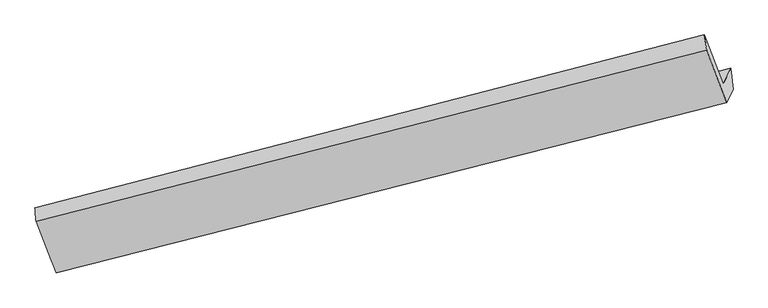
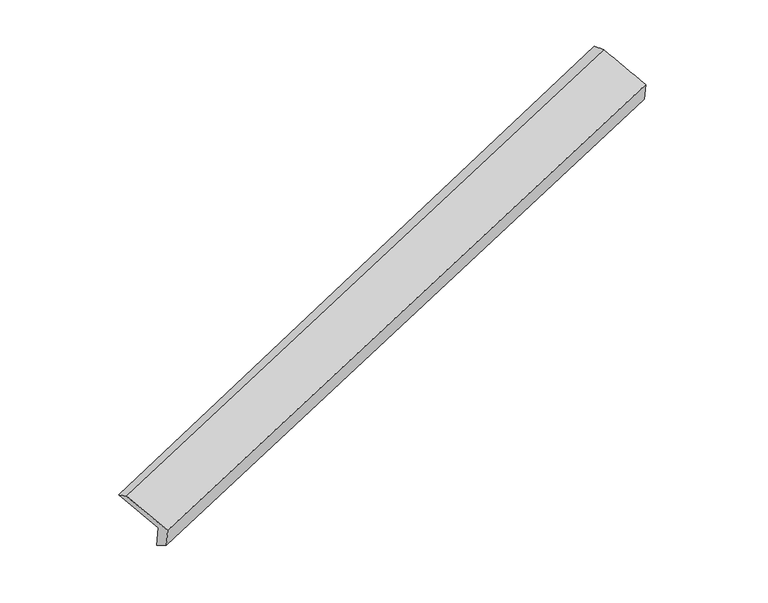
"""IFC4 building model written with IfcOpenShell, lengths in millimetres: proxy geometry."""

from ifc_helpers import new_model, si_unit, frame, origin, place, context, project, spatial, source, transform, mapped, element, save
from ifc_brep_helpers import plane_surface, spline_surface, advanced_brep


def generic_models_923fe5f6(model_context):
    return source(origin(), model_context, "Body", "AdvancedBrep", [
        advanced_brep(
        [(-7222.6304075, -2632.107466, -43.7156929), (-7324.2661056, -2844.658499, 414.518061), (1676.1426409, -518.2506737, 3487.9018167), (1778.504661, -304.1806817, 3026.3933748), (-7580.0762222, -2186.5201185, 663.0561747), (1422.1766452, 145.1959607, 3739.3111797), (-7564.6779549, -2368.6914348, 756.2031709), (1454.3665727, -64.1040505, 3801.110277), (-7295.4177245, -3061.4337484, 494.5972943), (1723.2822089, -766.6042935, 3534.9017691), (-7207.5639992, -2877.7049955, 98.5008137), (1807.9285229, -589.5832092, 3153.2661927)],
        [
            (0, 1),
            (1, 2),
            (2, 3),
            (3, 0),
            (1, 4),
            (4, 5),
            (5, 2),
            (4, 6),
            (6, 7),
            (7, 5),
            (6, 8),
            (8, 9),
            (9, 7),
            (8, 10),
            (10, 11),
            (11, 9),
            (10, 0),
            (3, 11),
        ],
        [
            plane_surface(frame((-7273.4482566, -2738.3829825, 185.401184), z_axis=(-0.34079853975807495, 0.879436594223981, 0.33233662458189706), x_axis=(-0.19725386425534033, -0.4125175836385373, 0.8893369194098254))),
            spline_surface(1, 1, [[(-7324.2661056, -2844.658499, 414.518061), (1676.1426409, -518.2506737, 3487.9018167)], [(-7580.0762222, -2186.5201185, 663.0561747), (1422.1766452, 145.1959607, 3739.3111797)]], [2, 2], [2, 2], [0.0, 1.0], [0.0, 1.0]),
            spline_surface(1, 1, [[(-7580.0762222, -2186.5201185, 663.0561747), (1422.1766452, 145.1959607, 3739.3111797)], [(-7564.6779549, -2368.6914348, 756.2031709), (1454.3665727, -64.1040505, 3801.110277)]], [2, 2], [2, 2], [0.0, 1.0], [0.0, 1.0]),
            spline_surface(1, 1, [[(-7564.6779549, -2368.6914348, 756.2031709), (1454.3665727, -64.1040505, 3801.110277)], [(-7295.4177245, -3061.4337484, 494.5972943), (1723.2822089, -766.6042935, 3534.9017691)]], [2, 2], [2, 2], [0.0, 1.0], [0.0, 1.0]),
            plane_surface(frame((-7251.4908618, -2969.569372, 296.549054), z_axis=(0.3365699763797915, -0.8805190635073831, -0.33377661661624514), x_axis=(0.19725386425535016, 0.4125175836385735, -0.8893369194098064))),
            spline_surface(1, 1, [[(-7207.5639992, -2877.7049955, 98.5008137), (1807.9285229, -589.5832092, 3153.2661927)], [(-7222.6304075, -2632.107466, -43.7156929), (1778.504661, -304.1806817, 3026.3933748)]], [2, 2], [2, 2], [0.0, 1.0], [0.0, 1.0]),
            plane_surface(frame((1643.7335419, -349.5878247, 3457.147435), z_axis=(0.9206031647797128, 0.23391325253963918, 0.3126889881078384), x_axis=(0.19725386425535016, 0.4125175836385735, -0.8893369194098064))),
            plane_surface(frame((-7365.772069, -2661.8527104, 397.1933036), z_axis=(-0.9188635115505734, -0.23842315632308936, -0.31439504714592), x_axis=(0.05301305955905342, -0.864165909630535, 0.500406730718741))),
        ],
        [
            (0, [[1, 2, 3, 4]]),
            (1, [[5, 6, 7, -2]]),
            (2, [[8, 9, 10, -6]]),
            (3, [[11, 12, 13, -9]]),
            (4, [[14, 15, 16, -12]]),
            (5, [[17, -4, 18, -15]]),
            (6, [[-16, -18, -3, -7, -10, -13]]),
            (7, [[-17, -14, -11, -8, -5, -1]]),
        ],
    ),
    ])


if __name__ == "__main__":
    model = new_model("IFC4")
    model_context = context("Model", 3, world=origin())
    ifc_project = project(units=[si_unit("LENGTHUNIT", "METRE", prefix="MILLI")], contexts=[model_context])
    site = spatial("IfcSite", under=ifc_project)
    building = spatial("IfcBuilding", under=site)
    placement = place(None, origin())
    generic_models_shape = generic_models_923fe5f6(model_context)
    element("IfcBuildingElementProxy", 1, Name="Generic Models", at=placement, inside=building, context=model_context, shape_type="MappedRepresentation", body=[
        mapped(generic_models_shape, transform((0.0, 0.0, 0.0), x_axis=(1.0, 0.0, 0.0), y_axis=(0.0, 1.0, 0.0), z_axis=(0.0, 0.0, 1.0))),
    ])
    save(model, "model.ifc")
